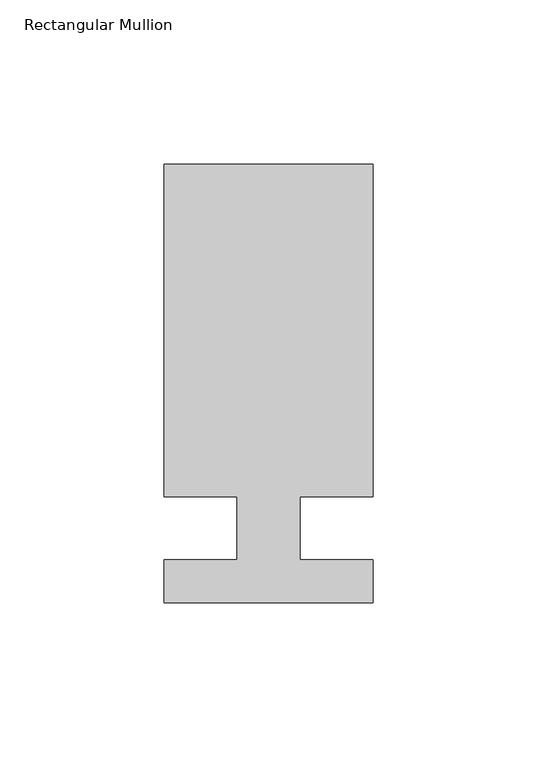
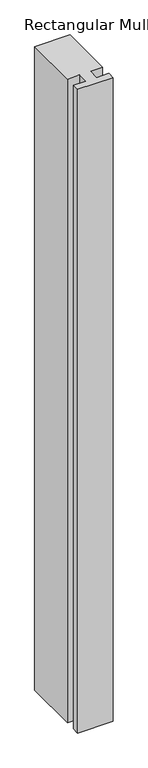
"""IFC4 building model written with IfcOpenShell, lengths in millimetres: member geometry, Rectangular Mullion."""

from ifc_helpers import new_model, si_unit, frame, origin, place, context, project, spatial, polyline, outline, extrude, source, transform, mapped, element, save


def rectangular_mullion_16fd78e0(model_context):
    return source(origin(), model_context, "Body", "SweptSolid", [
        extrude(outline(polyline([(31.75, 133.4396937), (31.75, 32.2460937), (9.5207146, 32.2460938), (9.5207146, 13.1960938), (31.75, 13.1960937), (31.75, 0.0134938), (-31.75, 0.0134938), (-31.75, 13.1960938), (-9.5207146, 13.1960937), (-9.5207146, 32.2460938), (-31.75, 32.2460938), (-31.75, 133.4396938), (31.75, 133.4396937)])), frame((0.0, 0.0, -1219.2), z_axis=(0.0, 0.0, 1.0), x_axis=(1.0, 0.0, 0.0)), (0.0, 0.0, 1.0), 1219.2),
    ])


if __name__ == "__main__":
    model = new_model("IFC4")
    model_context = context("Model", 3, world=origin())
    ifc_project = project(units=[si_unit("LENGTHUNIT", "METRE", prefix="MILLI")], contexts=[model_context])
    site = spatial("IfcSite", under=ifc_project)
    building = spatial("IfcBuilding", under=site)
    placement = place(None, origin())
    rectangular_mullion_shape = rectangular_mullion_16fd78e0(model_context)
    element("IfcMember", 1, ObjectType="Rectangular Mullion", at=placement, inside=building, context=model_context, shape_type="MappedRepresentation", body=[
        mapped(rectangular_mullion_shape, transform((0.0, 0.0, 0.0), x_axis=(1.0, 0.0, 0.0), y_axis=(0.0, 1.0, 0.0), z_axis=(0.0, 0.0, 1.0))),
    ])
    save(model, "model.ifc")
